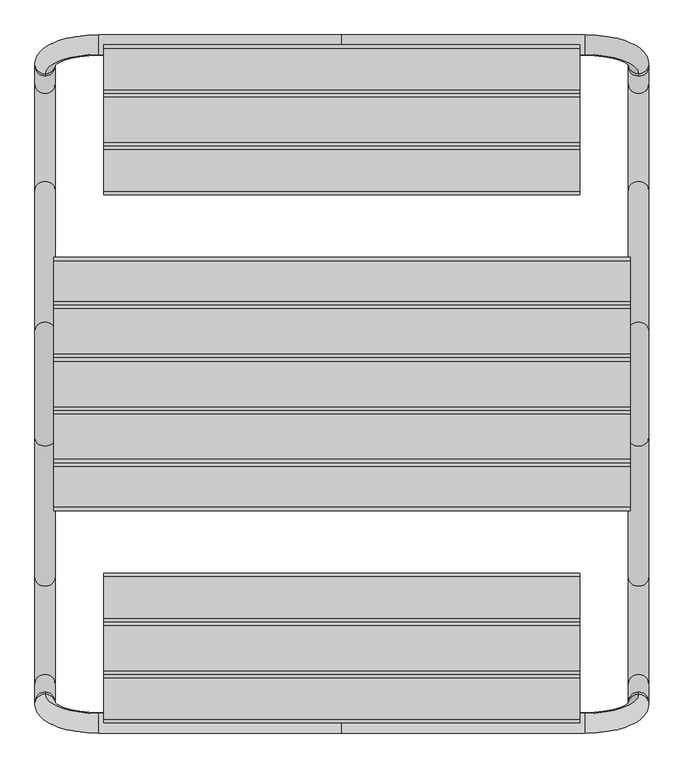
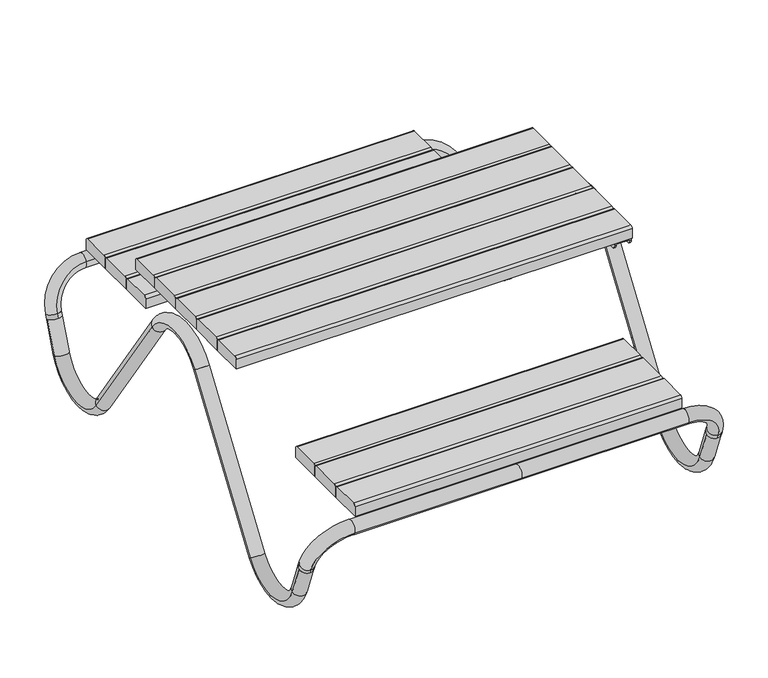
"""IFC4 building model written with IfcOpenShell, lengths in millimetres: furniture geometry."""

from ifc_helpers import new_model, si_unit, point, frame, frame_2d, origin, place, context, project, spatial, polyline, circle_curve, ellipse_curve, trimmed, segment, composite_curve, outline, extrude, source, transform, mapped, element, save
from ifc_brep_helpers import plane_surface, cylinder_surface, revolved_surface, advanced_brep


def furniture_fa88052a(model_context):
    return source(origin(), model_context, "Body", "SolidModel", [
        extrude(outline(composite_curve([segment(polyline([(-826.0683438, 448.4092852), (-725.0000598, 448.4092852)]), True, "CONTINUOUS"), segment(trimmed(circle_curve(frame_2d((-725.0000598, 439.4092852)), 9.0), [point((-725.0000598, 448.4092852))], [point((-716.0000598, 439.4092852))], False, "CARTESIAN"), True, "CONTINUOUS"), segment(polyline([(-716.0000598, 439.4092852), (-716.0000598, 403.4092852), (-835.0683438, 403.4092852), (-835.0683438, 439.4092852)]), True, "CONTINUOUS"), segment(trimmed(circle_curve(frame_2d((-826.0683438, 439.4092852)), 9.0), [point((-835.0683438, 439.4092852))], [point((-826.0683438, 448.4092852))], False, "CARTESIAN"), True, "CONTINUOUS")], self_intersect=False)), frame((-585.9999741, 0.0, 0.0), z_axis=(1.0, 0.0, 0.0), x_axis=(0.0, 1.0, 0.0)), (0.0, 0.0, 1.0), 1172.0),
        extrude(outline(composite_curve([segment(polyline([(-716.0000598, 403.4092852), (-716.0000598, 439.4092852)]), True, "CONTINUOUS"), segment(trimmed(circle_curve(frame_2d((-707.0000598, 439.4092852)), 9.0), [point((-716.0000598, 439.4092852))], [point((-707.0000598, 448.4092852))], False, "CARTESIAN"), True, "CONTINUOUS"), segment(polyline([(-707.0000598, 448.4092852), (-595.0000598, 448.4092852)]), True, "CONTINUOUS"), segment(trimmed(circle_curve(frame_2d((-595.0000598, 439.4092852)), 9.0), [point((-595.0000598, 448.4092852))], [point((-586.0000598, 439.4092852))], False, "CARTESIAN"), True, "CONTINUOUS"), segment(polyline([(-586.0000598, 439.4092852), (-586.0000598, 403.4092852), (-716.0000598, 403.4092852)]), True, "CONTINUOUS")], self_intersect=False)), frame((-585.9999741, 0.0, 0.0), z_axis=(1.0, 0.0, 0.0), x_axis=(0.0, 1.0, 0.0)), (0.0, 0.0, 1.0), 1172.0),
        extrude(outline(composite_curve([segment(polyline([(-577.0000598, 448.4092852), (-475.0000598, 448.4092852)]), True, "CONTINUOUS"), segment(trimmed(circle_curve(frame_2d((-475.0000598, 439.4092852)), 9.0), [point((-475.0000598, 448.4092852))], [point((-466.0000598, 439.4092852))], False, "CARTESIAN"), True, "CONTINUOUS"), segment(polyline([(-466.0000598, 439.4092852), (-466.0000598, 403.4092852), (-586.0000598, 403.4092852), (-586.0000598, 439.4092852)]), True, "CONTINUOUS"), segment(trimmed(circle_curve(frame_2d((-577.0000598, 439.4092852)), 9.0), [point((-586.0000598, 439.4092852))], [point((-577.0000598, 448.4092852))], False, "CARTESIAN"), True, "CONTINUOUS")], self_intersect=False)), frame((-585.9999741, 0.0, 0.0), z_axis=(1.0, 0.0, 0.0), x_axis=(0.0, 1.0, 0.0)), (0.0, 0.0, 1.0), 1172.0),
        extrude(outline(composite_curve([segment(polyline([(-195.0, 687.949744), (-195.0, 723.949744)]), True, "CONTINUOUS"), segment(trimmed(circle_curve(frame_2d((-186.0, 723.949744)), 9.0), [point((-195.0, 723.949744))], [point((-186.0, 732.949744))], False, "CARTESIAN"), True, "CONTINUOUS"), segment(polyline([(-186.0, 732.949744), (-74.0, 732.949744)]), True, "CONTINUOUS"), segment(trimmed(circle_curve(frame_2d((-74.0, 723.949744)), 9.0), [point((-74.0, 732.949744))], [point((-65.0, 723.949744))], False, "CARTESIAN"), True, "CONTINUOUS"), segment(polyline([(-65.0, 723.949744), (-65.0, 687.949744), (-195.0, 687.949744)]), True, "CONTINUOUS")], self_intersect=False)), frame((-710.0, 0.0, 0.0), z_axis=(1.0, 0.0, 0.0), x_axis=(0.0, 1.0, 0.0)), (0.0, 0.0, 1.0), 1420.0),
        extrude(outline(composite_curve([segment(polyline([(-312.2373961, 687.949744), (-312.2373961, 723.949744)]), True, "CONTINUOUS"), segment(trimmed(circle_curve(frame_2d((-303.2373961, 723.949744)), 9.0), [point((-312.2373961, 723.949744))], [point((-303.2373961, 732.949744))], False, "CARTESIAN"), True, "CONTINUOUS"), segment(polyline([(-303.2373961, 732.949744), (-204.0, 732.949744)]), True, "CONTINUOUS"), segment(trimmed(circle_curve(frame_2d((-204.0, 723.949744)), 9.0), [point((-204.0, 732.949744))], [point((-195.0, 723.949744))], False, "CARTESIAN"), True, "CONTINUOUS"), segment(polyline([(-195.0, 723.949744), (-195.0, 687.949744), (-312.2373961, 687.949744)]), True, "CONTINUOUS")], self_intersect=False)), frame((-710.0, 0.0, 0.0), z_axis=(1.0, 0.0, 0.0), x_axis=(0.0, 1.0, 0.0)), (0.0, 0.0, 1.0), 1420.0),
        extrude(outline(composite_curve([segment(polyline([(65.0, 687.949744), (-65.0, 687.949744), (-65.0, 723.949744)]), True, "CONTINUOUS"), segment(trimmed(circle_curve(frame_2d((-56.0, 723.949744)), 9.0), [point((-65.0, 723.949744))], [point((-56.0, 732.949744))], False, "CARTESIAN"), True, "CONTINUOUS"), segment(polyline([(-56.0, 732.949744), (56.0, 732.949744)]), True, "CONTINUOUS"), segment(trimmed(circle_curve(frame_2d((56.0, 723.949744)), 9.0), [point((56.0, 732.949744))], [point((65.0, 723.949744))], False, "CARTESIAN"), True, "CONTINUOUS"), segment(polyline([(65.0, 723.949744), (65.0, 687.949744)]), True, "CONTINUOUS")], self_intersect=False)), frame((-710.0, 0.0, 0.0), z_axis=(1.0, 0.0, 0.0), x_axis=(0.0, 1.0, 0.0)), (0.0, 0.0, 1.0), 1420.0),
        extrude(outline(composite_curve([segment(polyline([(195.0, 687.949744), (65.0, 687.949744), (65.0, 723.949744)]), True, "CONTINUOUS"), segment(trimmed(circle_curve(frame_2d((74.0, 723.949744)), 9.0), [point((65.0, 723.949744))], [point((74.0, 732.949744))], False, "CARTESIAN"), True, "CONTINUOUS"), segment(polyline([(74.0, 732.949744), (186.0, 732.949744)]), True, "CONTINUOUS"), segment(trimmed(circle_curve(frame_2d((186.0, 723.949744)), 9.0), [point((186.0, 732.949744))], [point((195.0, 723.949744))], False, "CARTESIAN"), True, "CONTINUOUS"), segment(polyline([(195.0, 723.949744), (195.0, 687.949744)]), True, "CONTINUOUS")], self_intersect=False)), frame((-710.0, 0.0, 0.0), z_axis=(1.0, 0.0, 0.0), x_axis=(0.0, 1.0, 0.0)), (0.0, 0.0, 1.0), 1420.0),
        extrude(outline(composite_curve([segment(polyline([(312.2373961, 687.949744), (195.0, 687.949744), (195.0, 723.949744)]), True, "CONTINUOUS"), segment(trimmed(circle_curve(frame_2d((204.0, 723.949744)), 9.0), [point((195.0, 723.949744))], [point((204.0, 732.949744))], False, "CARTESIAN"), True, "CONTINUOUS"), segment(polyline([(204.0, 732.949744), (303.2373961, 732.949744)]), True, "CONTINUOUS"), segment(trimmed(circle_curve(frame_2d((303.2373961, 723.949744)), 9.0), [point((303.2373961, 732.949744))], [point((312.2373961, 723.949744))], False, "CARTESIAN"), True, "CONTINUOUS"), segment(polyline([(312.2373961, 723.949744), (312.2373961, 687.949744)]), True, "CONTINUOUS")], self_intersect=False)), frame((-710.0, 0.0, 0.0), z_axis=(1.0, 0.0, 0.0), x_axis=(0.0, 1.0, 0.0)), (0.0, 0.0, 1.0), 1420.0),
        extrude(outline(composite_curve([segment(trimmed(circle_curve(frame_2d((826.0683438, 439.4092852)), 9.0), [point((826.0683438, 448.4092852))], [point((835.0683438, 439.4092852))], False, "CARTESIAN"), True, "CONTINUOUS"), segment(polyline([(835.0683438, 439.4092852), (835.0683438, 403.4092852), (716.0000598, 403.4092852), (716.0000598, 439.4092852)]), True, "CONTINUOUS"), segment(trimmed(circle_curve(frame_2d((725.0000598, 439.4092852)), 9.0), [point((716.0000598, 439.4092852))], [point((725.0000598, 448.4092852))], False, "CARTESIAN"), True, "CONTINUOUS"), segment(polyline([(725.0000598, 448.4092852), (826.0683438, 448.4092852)]), True, "CONTINUOUS")], self_intersect=False)), frame((-585.9999741, 0.0, 0.0), z_axis=(1.0, 0.0, 0.0), x_axis=(0.0, 1.0, 0.0)), (0.0, 0.0, 1.0), 1172.0),
        extrude(outline(composite_curve([segment(polyline([(716.0000598, 403.4092852), (586.0000598, 403.4092852), (586.0000598, 439.4092852)]), True, "CONTINUOUS"), segment(trimmed(circle_curve(frame_2d((595.0000598, 439.4092852)), 9.0), [point((586.0000598, 439.4092852))], [point((595.0000598, 448.4092852))], False, "CARTESIAN"), True, "CONTINUOUS"), segment(polyline([(595.0000598, 448.4092852), (707.0000598, 448.4092852)]), True, "CONTINUOUS"), segment(trimmed(circle_curve(frame_2d((707.0000598, 439.4092852)), 9.0), [point((707.0000598, 448.4092852))], [point((716.0000598, 439.4092852))], False, "CARTESIAN"), True, "CONTINUOUS"), segment(polyline([(716.0000598, 439.4092852), (716.0000598, 403.4092852)]), True, "CONTINUOUS")], self_intersect=False)), frame((-585.9999741, 0.0, 0.0), z_axis=(1.0, 0.0, 0.0), x_axis=(0.0, 1.0, 0.0)), (0.0, 0.0, 1.0), 1172.0),
        extrude(outline(composite_curve([segment(trimmed(circle_curve(frame_2d((577.0000598, 439.4092852)), 9.0), [point((577.0000598, 448.4092852))], [point((586.0000598, 439.4092852))], False, "CARTESIAN"), True, "CONTINUOUS"), segment(polyline([(586.0000598, 439.4092852), (586.0000598, 403.4092852), (466.0000598, 403.4092852), (466.0000598, 439.4092852)]), True, "CONTINUOUS"), segment(trimmed(circle_curve(frame_2d((475.0000598, 439.4092852)), 9.0), [point((466.0000598, 439.4092852))], [point((475.0000598, 448.4092852))], False, "CARTESIAN"), True, "CONTINUOUS"), segment(polyline([(475.0000598, 448.4092852), (577.0000598, 448.4092852)]), True, "CONTINUOUS")], self_intersect=False)), frame((-585.9999741, 0.0, 0.0), z_axis=(1.0, 0.0, 0.0), x_axis=(0.0, 1.0, 0.0)), (0.0, 0.0, 1.0), 1172.0),
        advanced_brep(
        [(-706.0067006, 132.1791608, 594.1992186), (-756.0067006, 132.1791608, 594.1992186), (-756.0067006, 477.7748125, 87.5334918), (-706.0067006, 477.7748125, 87.5334918), (-706.0067006, 739.1235055, 117.9986696), (-756.0067006, 739.1235055, 117.9986696), (-756.0067006, 781.6262765, 228.7221737), (-731.0067006, 804.9657872, 219.7629749), (-706.0067006, 781.6262765, 228.7221737), (-731.0067006, 758.2867659, 237.6813724), (731.0067006, 804.9657872, 219.7629749), (731.0067006, 810.9821295, 235.4360826), (731.0067006, 764.3031082, 253.3544801), (731.0067006, 758.2867659, 237.6813724), (756.0067006, 781.6262765, 228.7221737), (706.0067006, 781.6262765, 228.7221737), (599.2066372, 858.215048, 358.482042), (599.2066372, 811.5360267, 376.4004395), (0.0, 858.215048, 358.482042), (0.0, 811.5360267, 376.4004395), (-599.2066372, 858.215048, 358.482042), (-599.2066372, 811.5360267, 376.4004395), (-731.0067006, 810.9821295, 235.4360826), (-731.0067006, 764.3031082, 253.3544801), (-706.0067006, -132.1791608, 594.1992186), (-756.0067006, -132.1791608, 594.1992186), (-756.0067006, -781.6262765, 228.7221737), (-756.0067006, -739.1235055, 117.9986696), (-706.0067006, -739.1235055, 117.9986696), (-706.0067006, -781.6262765, 228.7221737), (-731.0067006, -804.9657872, 219.7629749), (-731.0067006, -758.2867659, 237.6813724), (-756.0067006, -477.7748125, 87.5334918), (-706.0067006, -477.7748125, 87.5334918), (756.0067006, 132.1791608, 594.1992186), (706.0067006, 132.1791608, 594.1992186), (706.0067006, 477.7748125, 87.5334918), (756.0067006, 477.7748125, 87.5334918), (756.0067006, 739.1235055, 117.9986696), (706.0067006, 739.1235055, 117.9986696), (756.0067006, -132.1791608, 594.1992186), (706.0067006, -132.1791608, 594.1992186), (706.0067006, -781.6262765, 228.7221737), (706.0067006, -739.1235055, 117.9986696), (756.0067006, -739.1235055, 117.9986696), (756.0067006, -781.6262765, 228.7221737), (731.0067006, -804.9657872, 219.7629749), (731.0067006, -758.2867659, 237.6813724), (706.0067006, -477.7748125, 87.5334918), (756.0067006, -477.7748125, 87.5334918), (731.0067006, -764.3031082, 253.3544801), (731.0067006, -810.9821295, 235.4360826), (599.2066372, -811.5360267, 376.4004395), (599.2066372, -858.215048, 358.482042), (0.0, -811.5360267, 376.4004395), (0.0, -858.215048, 358.482042), (-599.2066372, -811.5360267, 376.4004395), (-599.2066372, -858.215048, 358.482042), (-731.0067006, -764.3031082, 253.3544801), (-731.0067006, -810.9821295, 235.4360826)],
        [
            (0, 1, circle_curve(frame((-731.0067006, 132.1791608, 594.1992186), z_axis=(0.0, 0.5634945881708696, -0.8261197546979143), x_axis=(1.0, 0.0, 0.0)), 25.0)),
            (1, 2),
            (2, 3, circle_curve(frame((-731.0067006, 477.7748125, 87.5334918), z_axis=(0.0, -0.5634945881708696, 0.8261197546979143), x_axis=(1.0, 0.0, 0.0)), 25.0)),
            (3, 0),
            (1, 0, circle_curve(frame((-731.0067006, 132.1791608, 594.1992186), z_axis=(0.0, 0.5634945881708696, -0.8261197546979143), x_axis=(1.0, 0.0, 0.0)), 25.0)),
            (3, 2, circle_curve(frame((-731.0067006, 477.7748125, 87.5334918), z_axis=(0.0, -0.5634945881708696, 0.8261197546979143), x_axis=(1.0, 0.0, 0.0)), 25.0)),
            (4, 5, circle_curve(frame((-731.0067006, 739.1235055, 117.9986696), z_axis=(0.0, 0.3583679495453024, 0.933580426497201), x_axis=(1.0, 0.0, 0.0)), 25.0)),
            (5, 6),
            (6, 7, circle_curve(frame((-731.0067006, 781.6262765, 228.7221737), z_axis=(0.0, -0.3583679495453024, -0.933580426497201), x_axis=(1.0, 0.0, 0.0)), 25.0)),
            (7, 8, circle_curve(frame((-731.0067006, 781.6262765, 228.7221737), z_axis=(0.0, -0.3583679495453024, -0.933580426497201), x_axis=(1.0, 0.0, 0.0)), 25.0)),
            (8, 4),
            (5, 4, circle_curve(frame((-731.0067006, 739.1235055, 117.9986696), z_axis=(0.0, 0.3583679495453024, 0.933580426497201), x_axis=(1.0, 0.0, 0.0)), 25.0)),
            (8, 9, circle_curve(frame((-731.0067006, 781.6262765, 228.7221737), z_axis=(0.0, -0.3583679495453024, -0.933580426497201), x_axis=(1.0, 0.0, 0.0)), 25.0)),
            (9, 6, circle_curve(frame((-731.0067006, 781.6262765, 228.7221737), z_axis=(0.0, -0.3583679495453024, -0.933580426497201), x_axis=(1.0, 0.0, 0.0)), 25.0)),
            (10, 11),
            (11, 12, circle_curve(frame((731.0067006, 787.6426189, 244.3952813), z_axis=(0.0, -0.35836794954530343, -0.9335804264972005), x_axis=(0.0, -0.9335804264972005, 0.35836794954530343)), 25.0)),
            (12, 13),
            (13, 14, circle_curve(frame((731.0067006, 781.6262765, 228.7221737), z_axis=(0.0, 0.35836794954530343, 0.9335804264972005), x_axis=(0.0, -0.9335804264972005, 0.35836794954530343)), 25.0)),
            (14, 10, circle_curve(frame((731.0067006, 781.6262765, 228.7221737), z_axis=(0.0, 0.35836794954530343, 0.9335804264972005), x_axis=(0.0, -0.9335804264972005, 0.35836794954530343)), 25.0)),
            (10, 15, circle_curve(frame((731.0067006, 781.6262765, 228.7221737), z_axis=(0.0, 0.35836794954530343, 0.9335804264972005), x_axis=(0.0, -0.9335804264972005, 0.35836794954530343)), 25.0)),
            (15, 13, circle_curve(frame((731.0067006, 781.6262765, 228.7221737), z_axis=(0.0, 0.35836794954530343, 0.9335804264972005), x_axis=(0.0, -0.9335804264972005, 0.35836794954530343)), 25.0)),
            (12, 11, circle_curve(frame((731.0067006, 787.6426189, 244.3952813), z_axis=(0.0, -0.35836794954530343, -0.9335804264972005), x_axis=(0.0, -0.9335804264972005, 0.35836794954530343)), 25.0)),
            (11, 16, circle_curve(frame((599.2066372, 810.9821295, 235.4360826), z_axis=(0.0, -0.9335804264972006, 0.35836794954530343), x_axis=(1.0, 0.0, 0.0)), 131.8000635)),
            (16, 17, circle_curve(frame((599.2066372, 834.8755374, 367.4412408), z_axis=(1.0, 0.0, 0.0), x_axis=(0.0, -0.9335804264972006, 0.35836794954530343)), 25.0)),
            (17, 12, circle_curve(frame((599.2066372, 764.3031082, 253.3544801), z_axis=(0.0, 0.9335804264972006, -0.35836794954530343), x_axis=(1.0, 0.0, 0.0)), 131.8000635)),
            (17, 16, circle_curve(frame((599.2066372, 834.8755374, 367.4412408), z_axis=(1.0, 0.0, 0.0), x_axis=(0.0, -0.9335804264972006, 0.35836794954530343)), 25.0)),
            (16, 18),
            (18, 19, circle_curve(frame((0.0, 834.8755374, 367.4412408), z_axis=(1.0, 0.0, 0.0), x_axis=(0.0, -0.9335804264972005, 0.35836794954530343)), 25.0)),
            (19, 17),
            (19, 18, circle_curve(frame((0.0, 834.8755374, 367.4412408), z_axis=(1.0, 0.0, 0.0), x_axis=(0.0, -0.9335804264972005, 0.35836794954530343)), 25.0)),
            (18, 20),
            (20, 21, circle_curve(frame((-599.2066372, 834.8755374, 367.4412408), z_axis=(1.0, 0.0, 0.0), x_axis=(0.0, -0.9335804264972005, 0.35836794954530343)), 25.0)),
            (21, 19),
            (21, 20, circle_curve(frame((-599.2066372, 834.8755374, 367.4412408), z_axis=(1.0, 0.0, 0.0), x_axis=(0.0, -0.9335804264972005, 0.35836794954530343)), 25.0)),
            (20, 22, circle_curve(frame((-599.2066372, 810.9821295, 235.4360826), z_axis=(0.0, -0.9335804264972006, 0.35836794954530343), x_axis=(0.0, 0.35836794954530343, 0.9335804264972006)), 131.8000635)),
            (22, 23, circle_curve(frame((-731.0067006, 787.6426189, 244.3952813), z_axis=(0.0, 0.3583679495453034, 0.9335804264972006), x_axis=(0.0, -0.9335804264972006, 0.3583679495453034)), 25.0)),
            (23, 21, circle_curve(frame((-599.2066372, 764.3031082, 253.3544801), z_axis=(0.0, 0.9335804264972006, -0.35836794954530343), x_axis=(0.0, 0.35836794954530343, 0.9335804264972006)), 131.8000635)),
            (23, 22, circle_curve(frame((-731.0067006, 787.6426189, 244.3952813), z_axis=(0.0, 0.3583679495453034, 0.9335804264972006), x_axis=(0.0, -0.9335804264972006, 0.3583679495453034)), 25.0)),
            (22, 7),
            (9, 23),
            (0, 24, circle_curve(frame((-706.0067006, 0.0, 504.0400845), z_axis=(1.0, 0.0, 0.0), x_axis=(0.0, -0.8261197546979138, 0.5634945881708703)), 160.0)),
            (24, 25, circle_curve(frame((-731.0067006, -132.1791608, 594.1992186), z_axis=(0.0, 0.5634945881708707, 0.8261197546979134), x_axis=(1.0, 0.0, 0.0)), 25.0)),
            (25, 1, circle_curve(frame((-756.0067006, 0.0, 504.0400845), z_axis=(-1.0, 0.0, 0.0), x_axis=(0.0, -0.8261197546979138, 0.5634945881708703)), 160.0)),
            (25, 24, circle_curve(frame((-731.0067006, -132.1791608, 594.1992186), z_axis=(0.0, 0.5634945881708707, 0.8261197546979134), x_axis=(1.0, 0.0, 0.0)), 25.0)),
            (2, 5, circle_curve(frame((-756.0067006, 600.4691899, 171.2230747), z_axis=(1.0, 0.0, 0.0), x_axis=(0.0, -0.8261197546979139, -0.5634945881708702)), 148.518876)),
            (4, 3, circle_curve(frame((-706.0067006, 600.4691899, 171.2230747), z_axis=(-1.0, 0.0, 0.0), x_axis=(0.0, -0.8261197546979139, -0.5634945881708702)), 148.518876)),
            (26, 27),
            (27, 28, circle_curve(frame((-731.0067006, -739.1235055, 117.9986696), z_axis=(0.0, -0.35836794954530143, 0.9335804264972013), x_axis=(1.0, 0.0, 0.0)), 25.0)),
            (28, 29),
            (29, 30, circle_curve(frame((-731.0067006, -781.6262765, 228.7221737), z_axis=(0.0, 0.35836794954530143, -0.9335804264972013), x_axis=(1.0, 0.0, 0.0)), 25.0)),
            (30, 26, circle_curve(frame((-731.0067006, -781.6262765, 228.7221737), z_axis=(0.0, 0.35836794954530143, -0.9335804264972013), x_axis=(1.0, 0.0, 0.0)), 25.0)),
            (26, 31, circle_curve(frame((-731.0067006, -781.6262765, 228.7221737), z_axis=(0.0, 0.35836794954530143, -0.9335804264972013), x_axis=(1.0, 0.0, 0.0)), 25.0)),
            (31, 29, circle_curve(frame((-731.0067006, -781.6262765, 228.7221737), z_axis=(0.0, 0.35836794954530143, -0.9335804264972013), x_axis=(1.0, 0.0, 0.0)), 25.0)),
            (28, 27, circle_curve(frame((-731.0067006, -739.1235055, 117.9986696), z_axis=(0.0, -0.35836794954530143, 0.9335804264972013), x_axis=(1.0, 0.0, 0.0)), 25.0)),
            (27, 32, circle_curve(frame((-756.0067006, -600.4691899, 171.2230747), z_axis=(1.0, 0.0, 0.0), x_axis=(0.0, -0.9335804264972033, -0.35836794954529627)), 148.518876)),
            (32, 33, circle_curve(frame((-731.0067006, -477.7748125, 87.5334918), z_axis=(0.0, -0.5634945881708703, -0.8261197546979138), x_axis=(1.0, 0.0, 0.0)), 25.0)),
            (33, 28, circle_curve(frame((-706.0067006, -600.4691899, 171.2230747), z_axis=(-1.0, 0.0, 0.0), x_axis=(0.0, -0.9335804264972033, -0.35836794954529627)), 148.518876)),
            (33, 32, circle_curve(frame((-731.0067006, -477.7748125, 87.5334918), z_axis=(0.0, -0.5634945881708703, -0.8261197546979138), x_axis=(1.0, 0.0, 0.0)), 25.0)),
            (24, 33),
            (32, 25),
            (34, 35, circle_curve(frame((731.0067006, 132.1791608, 594.1992186), z_axis=(0.0, 0.56349458817087, -0.8261197546979141), x_axis=(-1.0, 0.0, 0.0)), 25.0)),
            (35, 36),
            (36, 37, circle_curve(frame((731.0067006, 477.7748125, 87.5334918), z_axis=(0.0, -0.56349458817087, 0.8261197546979141), x_axis=(-1.0, 0.0, 0.0)), 25.0)),
            (37, 34),
            (35, 34, circle_curve(frame((731.0067006, 132.1791608, 594.1992186), z_axis=(0.0, 0.56349458817087, -0.8261197546979141), x_axis=(-1.0, 0.0, 0.0)), 25.0)),
            (37, 36, circle_curve(frame((731.0067006, 477.7748125, 87.5334918), z_axis=(0.0, -0.56349458817087, 0.8261197546979141), x_axis=(-1.0, 0.0, 0.0)), 25.0)),
            (38, 39, circle_curve(frame((731.0067006, 739.1235055, 117.9986696), z_axis=(0.0, 0.358367949545302, 0.9335804264972012), x_axis=(-1.0, 0.0, 0.0)), 25.0)),
            (39, 15),
            (14, 38),
            (39, 38, circle_curve(frame((731.0067006, 739.1235055, 117.9986696), z_axis=(0.0, 0.358367949545302, 0.9335804264972012), x_axis=(-1.0, 0.0, 0.0)), 25.0)),
            (34, 40, circle_curve(frame((756.0067006, 0.0, 504.0400845), z_axis=(1.0, 0.0, 0.0), x_axis=(0.0, -0.8261197546979148, 0.5634945881708688)), 160.0)),
            (40, 41, circle_curve(frame((731.0067006, -132.1791608, 594.1992186), z_axis=(0.0, 0.5634945881708691, 0.8261197546979145), x_axis=(-1.0, 0.0, 0.0)), 25.0)),
            (41, 35, circle_curve(frame((706.0067006, 0.0, 504.0400845), z_axis=(-1.0, 0.0, 0.0), x_axis=(0.0, -0.8261197546979148, 0.5634945881708688)), 160.0)),
            (41, 40, circle_curve(frame((731.0067006, -132.1791608, 594.1992186), z_axis=(0.0, 0.5634945881708691, 0.8261197546979145), x_axis=(-1.0, 0.0, 0.0)), 25.0)),
            (36, 39, circle_curve(frame((706.0067006, 600.4691899, 171.2230747), z_axis=(1.0, 0.0, 0.0), x_axis=(0.0, -0.8261197546979139, -0.5634945881708702)), 148.518876)),
            (38, 37, circle_curve(frame((756.0067006, 600.4691899, 171.2230747), z_axis=(-1.0, 0.0, 0.0), x_axis=(0.0, -0.8261197546979139, -0.5634945881708702)), 148.518876)),
            (42, 43),
            (43, 44, circle_curve(frame((731.0067006, -739.1235055, 117.9986696), z_axis=(0.0, -0.35836794954530166, 0.9335804264972012), x_axis=(-1.0, 0.0, 0.0)), 25.0)),
            (44, 45),
            (45, 46, circle_curve(frame((731.0067006, -781.6262765, 228.7221737), z_axis=(0.0, 0.35836794954530166, -0.9335804264972012), x_axis=(-1.0, 0.0, 0.0)), 25.0)),
            (46, 42, circle_curve(frame((731.0067006, -781.6262765, 228.7221737), z_axis=(0.0, 0.35836794954530166, -0.9335804264972012), x_axis=(-1.0, 0.0, 0.0)), 25.0)),
            (42, 47, circle_curve(frame((731.0067006, -781.6262765, 228.7221737), z_axis=(0.0, 0.35836794954530166, -0.9335804264972012), x_axis=(-1.0, 0.0, 0.0)), 25.0)),
            (47, 45, circle_curve(frame((731.0067006, -781.6262765, 228.7221737), z_axis=(0.0, 0.35836794954530166, -0.9335804264972012), x_axis=(-1.0, 0.0, 0.0)), 25.0)),
            (44, 43, circle_curve(frame((731.0067006, -739.1235055, 117.9986696), z_axis=(0.0, -0.35836794954530166, 0.9335804264972012), x_axis=(-1.0, 0.0, 0.0)), 25.0)),
            (43, 48, circle_curve(frame((706.0067006, -600.4691899, 171.2230747), z_axis=(1.0, 0.0, 0.0), x_axis=(0.0, -0.9335804264972033, -0.35836794954529627)), 148.518876)),
            (48, 49, circle_curve(frame((731.0067006, -477.7748125, 87.5334918), z_axis=(0.0, -0.5634945881708702, -0.8261197546979138), x_axis=(-1.0, 0.0, 0.0)), 25.0)),
            (49, 44, circle_curve(frame((756.0067006, -600.4691899, 171.2230747), z_axis=(-1.0, 0.0, 0.0), x_axis=(0.0, -0.9335804264972033, -0.35836794954529627)), 148.518876)),
            (49, 48, circle_curve(frame((731.0067006, -477.7748125, 87.5334918), z_axis=(0.0, -0.5634945881708702, -0.8261197546979138), x_axis=(-1.0, 0.0, 0.0)), 25.0)),
            (40, 49),
            (48, 41),
            (47, 50),
            (50, 51, circle_curve(frame((731.0067006, -787.6426189, 244.3952813), z_axis=(0.0, 0.35836794954530343, -0.9335804264972005), x_axis=(0.0, 0.9335804264972005, 0.35836794954530343)), 25.0)),
            (51, 46),
            (51, 50, circle_curve(frame((731.0067006, -787.6426189, 244.3952813), z_axis=(0.0, 0.35836794954530343, -0.9335804264972005), x_axis=(0.0, 0.9335804264972005, 0.35836794954530343)), 25.0)),
            (50, 52, circle_curve(frame((599.2066372, -764.3031082, 253.3544801), z_axis=(0.0, -0.9335804264972006, -0.35836794954530343), x_axis=(1.0, 0.0, 0.0)), 131.8000635)),
            (52, 53, circle_curve(frame((599.2066372, -834.8755374, 367.4412408), z_axis=(1.0, 0.0, 0.0), x_axis=(0.0, 0.9335804264972006, 0.35836794954530343)), 25.0)),
            (53, 51, circle_curve(frame((599.2066372, -810.9821295, 235.4360826), z_axis=(0.0, 0.9335804264972006, 0.35836794954530343), x_axis=(1.0, 0.0, 0.0)), 131.8000635)),
            (53, 52, circle_curve(frame((599.2066372, -834.8755374, 367.4412408), z_axis=(1.0, 0.0, 0.0), x_axis=(0.0, 0.9335804264972006, 0.35836794954530343)), 25.0)),
            (52, 54),
            (54, 55, circle_curve(frame((0.0, -834.8755374, 367.4412408), z_axis=(1.0, 0.0, 0.0), x_axis=(0.0, 0.9335804264972005, 0.35836794954530343)), 25.0)),
            (55, 53),
            (55, 54, circle_curve(frame((0.0, -834.8755374, 367.4412408), z_axis=(1.0, 0.0, 0.0), x_axis=(0.0, 0.9335804264972005, 0.35836794954530343)), 25.0)),
            (54, 56),
            (56, 57, circle_curve(frame((-599.2066372, -834.8755374, 367.4412408), z_axis=(1.0, 0.0, 0.0), x_axis=(0.0, 0.9335804264972005, 0.35836794954530343)), 25.0)),
            (57, 55),
            (57, 56, circle_curve(frame((-599.2066372, -834.8755374, 367.4412408), z_axis=(1.0, 0.0, 0.0), x_axis=(0.0, 0.9335804264972005, 0.35836794954530343)), 25.0)),
            (56, 58, circle_curve(frame((-599.2066372, -764.3031082, 253.3544801), z_axis=(0.0, -0.9335804264972006, -0.35836794954530343), x_axis=(0.0, -0.35836794954530343, 0.9335804264972006)), 131.8000635)),
            (58, 59, circle_curve(frame((-731.0067006, -787.6426189, 244.3952813), z_axis=(0.0, -0.3583679495453034, 0.9335804264972006), x_axis=(0.0, 0.9335804264972006, 0.3583679495453034)), 25.0)),
            (59, 57, circle_curve(frame((-599.2066372, -810.9821295, 235.4360826), z_axis=(0.0, 0.9335804264972006, 0.35836794954530343), x_axis=(0.0, -0.35836794954530343, 0.9335804264972006)), 131.8000635)),
            (59, 58, circle_curve(frame((-731.0067006, -787.6426189, 244.3952813), z_axis=(0.0, -0.3583679495453034, 0.9335804264972006), x_axis=(0.0, 0.9335804264972006, 0.3583679495453034)), 25.0)),
            (58, 31),
            (30, 59),
        ],
        [
            cylinder_surface(frame((-731.0067006, 132.1791608, 594.1992186), z_axis=(0.0, -0.5634945881708696, 0.8261197546979143), x_axis=(1.0, 0.0, 0.0)), 25.0),
            cylinder_surface(frame((-731.0067006, 739.1235055, 117.9986696), z_axis=(0.0, -0.3583679495453024, -0.933580426497201), x_axis=(1.0, 0.0, 0.0)), 25.0),
            cylinder_surface(frame((731.0067006, 781.6262765, 228.7221737), z_axis=(0.0, -0.35836794954530343, -0.9335804264972005), x_axis=(0.0, -0.9335804264972005, 0.35836794954530343)), 25.0),
            revolved_surface(trimmed(ellipse_curve(frame((731.0067006, 787.6426189, 244.3952813), z_axis=(0.0, -0.3583679495453035, -0.9335804264972006), x_axis=(0.0, -0.9335804264972006, 0.3583679495453035)), 25.0, 25.0), [point((731.0067006, 810.9821295, 235.4360826))], [point((731.0067006, 764.3031082, 253.3544801))], True, "CARTESIAN"), (599.2066372, 6.7408797, 544.1553739), (0.0, -0.9335804264972006, 0.35836794954530343)),
            revolved_surface(trimmed(ellipse_curve(frame((731.0067006, 787.6426189, 244.3952813), z_axis=(0.0, -0.3583679495453035, -0.9335804264972006), x_axis=(0.0, -0.9335804264972006, 0.3583679495453035)), 25.0, 25.0), [point((731.0067006, 764.3031082, 253.3544801))], [point((731.0067006, 810.9821295, 235.4360826))], True, "CARTESIAN"), (599.2066372, 6.7408797, 544.1553739), (0.0, -0.9335804264972006, 0.35836794954530343)),
            cylinder_surface(frame((599.2066372, 834.8755374, 367.4412408), z_axis=(1.0, 0.0, 0.0), x_axis=(0.0, -0.9335804264972005, 0.35836794954530343)), 25.0),
            cylinder_surface(frame((0.0, 834.8755374, 367.4412408), z_axis=(1.0, 0.0, 0.0), x_axis=(0.0, -0.9335804264972005, 0.35836794954530343)), 25.0),
            revolved_surface(trimmed(ellipse_curve(frame((-599.2066372, 834.8755374, 367.4412408), z_axis=(1.0000000000000002, 0.0, 0.0), x_axis=(0.0, -0.9335804264972006, 0.3583679495453035)), 25.0, 25.0), [point((-599.2066372, 858.215048, 358.482042))], [point((-599.2066372, 811.5360267, 376.4004395))], True, "CARTESIAN"), (-599.2066372, 6.7408797, 544.1553739), (0.0, -0.9335804264972006, 0.35836794954530343)),
            revolved_surface(trimmed(ellipse_curve(frame((-599.2066372, 834.8755374, 367.4412408), z_axis=(1.0000000000000002, 0.0, 0.0), x_axis=(0.0, -0.9335804264972006, 0.3583679495453035)), 25.0, 25.0), [point((-599.2066372, 811.5360267, 376.4004395))], [point((-599.2066372, 858.215048, 358.482042))], True, "CARTESIAN"), (-599.2066372, 6.7408797, 544.1553739), (0.0, -0.9335804264972006, 0.35836794954530343)),
            cylinder_surface(frame((-731.0067006, 787.6426189, 244.3952813), z_axis=(0.0, 0.35836794954530343, 0.9335804264972005), x_axis=(0.0, -0.9335804264972005, 0.35836794954530343)), 25.0),
            revolved_surface(trimmed(ellipse_curve(frame((-731.0067006, -132.1791608, 594.1992186), z_axis=(0.0, -0.5634945881708707, -0.8261197546979134), x_axis=(1.0, 0.0, 0.0)), 25.0, 25.0), [point((-756.0067006, -132.1791608, 594.1992186))], [point((-706.0067006, -132.1791608, 594.1992186))], True, "CARTESIAN"), (0.0, 0.0, 504.0400845), (-1.0, 0.0, 0.0)),
            revolved_surface(trimmed(ellipse_curve(frame((-731.0067006, -132.1791608, 594.1992186), z_axis=(0.0, -0.5634945881708707, -0.8261197546979134), x_axis=(1.0, 0.0, 0.0)), 25.0, 25.0), [point((-706.0067006, -132.1791608, 594.1992186))], [point((-756.0067006, -132.1791608, 594.1992186))], True, "CARTESIAN"), (0.0, 0.0, 504.0400845), (-1.0, 0.0, 0.0)),
            revolved_surface(trimmed(ellipse_curve(frame((-731.0067006, 477.7748125, 87.5334918), z_axis=(0.0, -0.5634945881708696, 0.8261197546979143), x_axis=(1.0, 0.0, 0.0)), 25.0, 25.0), [point((-756.0067006, 477.7748125, 87.5334918))], [point((-706.0067006, 477.7748125, 87.5334918))], True, "CARTESIAN"), (0.0, 600.4691899, 171.2230747), (1.0, 0.0, 0.0)),
            revolved_surface(trimmed(ellipse_curve(frame((-731.0067006, 477.7748125, 87.5334918), z_axis=(0.0, -0.5634945881708696, 0.8261197546979143), x_axis=(1.0, 0.0, 0.0)), 25.0, 25.0), [point((-706.0067006, 477.7748125, 87.5334918))], [point((-756.0067006, 477.7748125, 87.5334918))], True, "CARTESIAN"), (0.0, 600.4691899, 171.2230747), (1.0, 0.0, 0.0)),
            cylinder_surface(frame((-731.0067006, -781.6262765, 228.7221737), z_axis=(0.0, -0.35836794954530143, 0.9335804264972013), x_axis=(1.0, 0.0, 0.0)), 25.0),
            revolved_surface(trimmed(ellipse_curve(frame((-731.0067006, -739.1235055, 117.9986696), z_axis=(0.0, -0.358367949545296, 0.9335804264972034), x_axis=(1.0, 0.0, 0.0)), 25.0, 25.0), [point((-756.0067006, -739.1235055, 117.9986696))], [point((-706.0067006, -739.1235055, 117.9986696))], True, "CARTESIAN"), (0.0, -600.4691899, 171.2230747), (1.0, 0.0, 0.0)),
            revolved_surface(trimmed(ellipse_curve(frame((-731.0067006, -739.1235055, 117.9986696), z_axis=(0.0, -0.358367949545296, 0.9335804264972034), x_axis=(1.0, 0.0, 0.0)), 25.0, 25.0), [point((-706.0067006, -739.1235055, 117.9986696))], [point((-756.0067006, -739.1235055, 117.9986696))], True, "CARTESIAN"), (0.0, -600.4691899, 171.2230747), (1.0, 0.0, 0.0)),
            cylinder_surface(frame((-731.0067006, -477.7748125, 87.5334918), z_axis=(0.0, -0.5634945881708705, -0.8261197546979135), x_axis=(1.0, 0.0, 0.0)), 25.0),
            cylinder_surface(frame((731.0067006, 132.1791608, 594.1992186), z_axis=(0.0, -0.56349458817087, 0.8261197546979141), x_axis=(-1.0, 0.0, 0.0)), 25.0),
            cylinder_surface(frame((731.0067006, 739.1235055, 117.9986696), z_axis=(0.0, -0.358367949545302, -0.9335804264972012), x_axis=(-1.0, 0.0, 0.0)), 25.0),
            revolved_surface(trimmed(ellipse_curve(frame((731.0067006, -132.1791608, 594.1992186), z_axis=(0.0, -0.5634945881708691, -0.8261197546979145), x_axis=(-1.0, 0.0, 0.0)), 25.0, 25.0), [point((706.0067006, -132.1791608, 594.1992186))], [point((756.0067006, -132.1791608, 594.1992186))], True, "CARTESIAN"), (0.0, 0.0, 504.0400845), (-1.0, 0.0, 0.0)),
            revolved_surface(trimmed(ellipse_curve(frame((731.0067006, -132.1791608, 594.1992186), z_axis=(0.0, -0.5634945881708691, -0.8261197546979145), x_axis=(-1.0, 0.0, 0.0)), 25.0, 25.0), [point((756.0067006, -132.1791608, 594.1992186))], [point((706.0067006, -132.1791608, 594.1992186))], True, "CARTESIAN"), (0.0, 0.0, 504.0400845), (-1.0, 0.0, 0.0)),
            revolved_surface(trimmed(ellipse_curve(frame((731.0067006, 477.7748125, 87.5334918), z_axis=(0.0, -0.56349458817087, 0.8261197546979141), x_axis=(-1.0, 0.0, 0.0)), 25.0, 25.0), [point((706.0067006, 477.7748125, 87.5334918))], [point((756.0067006, 477.7748125, 87.5334918))], True, "CARTESIAN"), (0.0, 600.4691899, 171.2230747), (1.0, 0.0, 0.0)),
            revolved_surface(trimmed(ellipse_curve(frame((731.0067006, 477.7748125, 87.5334918), z_axis=(0.0, -0.56349458817087, 0.8261197546979141), x_axis=(-1.0, 0.0, 0.0)), 25.0, 25.0), [point((756.0067006, 477.7748125, 87.5334918))], [point((706.0067006, 477.7748125, 87.5334918))], True, "CARTESIAN"), (0.0, 600.4691899, 171.2230747), (1.0, 0.0, 0.0)),
            cylinder_surface(frame((731.0067006, -781.6262765, 228.7221737), z_axis=(0.0, -0.35836794954530166, 0.9335804264972012), x_axis=(-1.0, 0.0, 0.0)), 25.0),
            revolved_surface(trimmed(ellipse_curve(frame((731.0067006, -739.1235055, 117.9986696), z_axis=(0.0, -0.35836794954529627, 0.9335804264972033), x_axis=(-1.0, 0.0, 0.0)), 25.0, 25.0), [point((706.0067006, -739.1235055, 117.9986696))], [point((756.0067006, -739.1235055, 117.9986696))], True, "CARTESIAN"), (0.0, -600.4691899, 171.2230747), (1.0, 0.0, 0.0)),
            revolved_surface(trimmed(ellipse_curve(frame((731.0067006, -739.1235055, 117.9986696), z_axis=(0.0, -0.35836794954529627, 0.9335804264972033), x_axis=(-1.0, 0.0, 0.0)), 25.0, 25.0), [point((756.0067006, -739.1235055, 117.9986696))], [point((706.0067006, -739.1235055, 117.9986696))], True, "CARTESIAN"), (0.0, -600.4691899, 171.2230747), (1.0, 0.0, 0.0)),
            cylinder_surface(frame((731.0067006, -477.7748125, 87.5334918), z_axis=(0.0, -0.5634945881708704, -0.8261197546979138), x_axis=(-1.0, 0.0, 0.0)), 25.0),
            cylinder_surface(frame((731.0067006, -781.6262765, 228.7221737), z_axis=(0.0, 0.35836794954530343, -0.9335804264972005), x_axis=(0.0, 0.9335804264972005, 0.35836794954530343)), 25.0),
            revolved_surface(trimmed(ellipse_curve(frame((731.0067006, -787.6426189, 244.3952813), z_axis=(0.0, 0.3583679495453035, -0.9335804264972006), x_axis=(0.0, 0.9335804264972006, 0.3583679495453035)), 25.0, 25.0), [point((731.0067006, -764.3031082, 253.3544801))], [point((731.0067006, -810.9821295, 235.4360826))], True, "CARTESIAN"), (599.2066372, -6.7408797, 544.1553739), (0.0, -0.9335804264972006, -0.35836794954530343)),
            revolved_surface(trimmed(ellipse_curve(frame((731.0067006, -787.6426189, 244.3952813), z_axis=(0.0, 0.3583679495453035, -0.9335804264972006), x_axis=(0.0, 0.9335804264972006, 0.3583679495453035)), 25.0, 25.0), [point((731.0067006, -810.9821295, 235.4360826))], [point((731.0067006, -764.3031082, 253.3544801))], True, "CARTESIAN"), (599.2066372, -6.7408797, 544.1553739), (0.0, -0.9335804264972006, -0.35836794954530343)),
            cylinder_surface(frame((599.2066372, -834.8755374, 367.4412408), z_axis=(1.0, 0.0, 0.0), x_axis=(0.0, 0.9335804264972005, 0.35836794954530343)), 25.0),
            cylinder_surface(frame((0.0, -834.8755374, 367.4412408), z_axis=(1.0, 0.0, 0.0), x_axis=(0.0, 0.9335804264972005, 0.35836794954530343)), 25.0),
            revolved_surface(trimmed(ellipse_curve(frame((-599.2066372, -834.8755374, 367.4412408), z_axis=(1.0000000000000002, 0.0, 0.0), x_axis=(0.0, 0.9335804264972006, 0.3583679495453035)), 25.0, 25.0), [point((-599.2066372, -811.5360267, 376.4004395))], [point((-599.2066372, -858.215048, 358.482042))], True, "CARTESIAN"), (-599.2066372, -6.7408797, 544.1553739), (0.0, -0.9335804264972006, -0.35836794954530343)),
            revolved_surface(trimmed(ellipse_curve(frame((-599.2066372, -834.8755374, 367.4412408), z_axis=(1.0000000000000002, 0.0, 0.0), x_axis=(0.0, 0.9335804264972006, 0.3583679495453035)), 25.0, 25.0), [point((-599.2066372, -858.215048, 358.482042))], [point((-599.2066372, -811.5360267, 376.4004395))], True, "CARTESIAN"), (-599.2066372, -6.7408797, 544.1553739), (0.0, -0.9335804264972006, -0.35836794954530343)),
            cylinder_surface(frame((-731.0067006, -787.6426189, 244.3952813), z_axis=(0.0, -0.35836794954530343, 0.9335804264972005), x_axis=(0.0, 0.9335804264972005, 0.35836794954530343)), 25.0),
        ],
        [
            (0, [[1, 2, 3, 4]]),
            (0, [[-2, 5, -4, 6]]),
            (1, [[7, 8, 9, 10, 11]]),
            (1, [[-8, 12, -11, 13, 14]]),
            (2, [[15, 16, 17, 18, 19]]),
            (2, [[-15, 20, 21, -17, 22]]),
            (3, [[-16, 23, 24, 25]]),
            (4, [[-22, -25, 26, -23]]),
            (5, [[-24, 27, 28, 29]]),
            (5, [[-26, -29, 30, -27]]),
            (6, [[-28, 31, 32, 33]]),
            (6, [[-30, -33, 34, -31]]),
            (7, [[-32, 35, 36, 37]]),
            (8, [[-34, -37, 38, -35]]),
            (9, [[-36, 39, -9, -14, 40]]),
            (9, [[-38, -40, -13, -10, -39]]),
            (10, [[-1, 41, 42, 43]]),
            (11, [[-5, -43, 44, -41]]),
            (12, [[-3, 45, -7, 46]]),
            (13, [[-6, -46, -12, -45]]),
            (14, [[47, 48, 49, 50, 51]]),
            (14, [[-47, 52, 53, -49, 54]]),
            (15, [[-48, 55, 56, 57]]),
            (16, [[-54, -57, 58, -55]]),
            (17, [[-42, 59, -56, 60]]),
            (17, [[-44, -60, -58, -59]]),
            (18, [[61, 62, 63, 64]]),
            (18, [[-62, 65, -64, 66]]),
            (19, [[67, 68, -20, -19, 69]]),
            (19, [[-68, 70, -69, -18, -21]]),
            (20, [[-61, 71, 72, 73]]),
            (21, [[-65, -73, 74, -71]]),
            (22, [[-63, 75, -67, 76]]),
            (23, [[-66, -76, -70, -75]]),
            (24, [[77, 78, 79, 80, 81]]),
            (24, [[-77, 82, 83, -79, 84]]),
            (25, [[-78, 85, 86, 87]]),
            (26, [[-84, -87, 88, -85]]),
            (27, [[-72, 89, -86, 90]]),
            (27, [[-74, -90, -88, -89]]),
            (28, [[91, 92, 93, -80, -83]]),
            (28, [[-91, -82, -81, -93, 94]]),
            (29, [[-92, 95, 96, 97]]),
            (30, [[-94, -97, 98, -95]]),
            (31, [[-96, 99, 100, 101]]),
            (31, [[-98, -101, 102, -99]]),
            (32, [[-100, 103, 104, 105]]),
            (32, [[-102, -105, 106, -103]]),
            (33, [[-104, 107, 108, 109]]),
            (34, [[-106, -109, 110, -107]]),
            (35, [[-108, 111, -52, -51, 112]]),
            (35, [[-110, -112, -50, -53, -111]]),
        ],
    ),
        advanced_brep(
        [(648.4999187, -295.237302, 664.949744), (648.4999187, -310.237302, 679.949744), (648.4999187, -310.237302, 680.949744), (648.4999187, 312.2373961, 680.949744), (648.4999187, 312.2373961, 679.949744), (648.4999187, 297.2373961, 664.949744), (648.4999187, 247.2373961, 664.949744), (648.4999187, 247.2373961, 661.949744), (648.4999187, -245.237302, 661.949744), (648.4999187, -245.237302, 664.949744), (653.4999187, -295.237302, 664.949744), (653.4999187, -245.237302, 664.949744), (653.4999187, -245.237302, 661.949744), (653.4999187, 247.2373961, 661.949744), (653.4999187, 247.2373961, 664.949744), (653.4999187, 297.2373961, 664.949744), (653.4999187, 312.2373961, 679.949744), (653.4999187, 312.2373961, 680.949744), (653.4999187, -310.237302, 680.949744), (653.4999187, -310.237302, 679.949744), (655.4999187, 312.2373961, 687.949744), (701.4999187, 312.2373961, 687.949744), (708.4999187, 312.2373961, 680.949744), (708.4999187, 312.2373961, 679.949744), (703.4999187, 312.2373961, 679.949744), (703.4999187, 312.2373961, 680.949744), (701.4901236, 312.2373961, 682.949744), (655.4999187, 312.2373961, 682.949744), (655.4999187, -310.237302, 682.949744), (701.4901236, -310.237302, 682.949744), (703.4998948, -310.237302, 680.949744), (703.4999187, -310.237302, 679.949744), (708.4999187, -310.237302, 679.949744), (708.4999187, -310.237302, 680.949744), (701.4999187, -310.237302, 687.949744), (655.4999187, -310.237302, 687.949744), (703.4999187, 247.2373961, 664.949744), (703.4999187, 247.2373961, 661.949744), (703.4999187, 166.5594719, 655.917012), (703.4999187, 101.8877287, 623.7288063), (703.4999187, -99.8876346, 623.7288063), (703.4999187, -164.5593779, 655.917012), (703.4999187, -245.237302, 661.949744), (703.4999187, -245.237302, 664.949744), (703.4999187, -295.237302, 664.949744), (703.4999187, 297.2373961, 664.949744), (708.4999187, 247.2373961, 664.949744), (708.4999187, 297.2373961, 664.949744), (708.4999187, -295.237302, 664.949744), (708.4999187, -245.237302, 664.949744), (708.4999187, -245.237302, 661.949744), (708.4999187, -164.5593779, 655.917012), (708.4999187, -99.8876346, 623.7288063), (708.4999187, 101.8877287, 623.7288063), (708.4999187, 166.5594719, 655.917012), (708.4999187, 247.2373961, 661.949744)],
        [
            (0, 1, circle_curve(frame((648.4999187, -295.237302, 679.949744), z_axis=(-1.0, 1.4582610674570805e-11, 1.2561258699867995e-11), x_axis=(-1.4582610674561056e-11, -1.0, 0.0)), 15.0)),
            (1, 2),
            (2, 3),
            (3, 4),
            (4, 5, circle_curve(frame((648.4999187, 297.2373961, 679.949744), z_axis=(-1.0, 2.7577016226140998e-11, -2.7071678232499654e-11), x_axis=(2.7071678232474768e-11, 0.0, -1.0)), 15.0)),
            (5, 6),
            (6, 7),
            (7, 8, circle_curve(frame((648.4999187, 1.000047, 3412.4875654), z_axis=(-1.0, 0.0, 0.0), x_axis=(0.0, -0.08916674873975165, -0.9960167121686172)), 2761.5378214)),
            (8, 9),
            (9, 0),
            (10, 11),
            (11, 12),
            (12, 13, circle_curve(frame((653.4999187, 1.000047, 3412.4875654), z_axis=(1.0, 0.0, 0.0), x_axis=(0.0, -0.08916674873975165, -0.9960167121686172)), 2761.5378214)),
            (13, 14),
            (14, 15),
            (15, 16, circle_curve(frame((653.4999187, 297.2373961, 679.949744), z_axis=(1.0, -2.7577016226140998e-11, 2.7071678232499654e-11), x_axis=(2.7071678232474768e-11, 0.0, -1.0)), 15.0)),
            (16, 17),
            (17, 18),
            (18, 19),
            (19, 10, circle_curve(frame((653.4999187, -295.237302, 679.949744), z_axis=(1.0, -1.4582610674570805e-11, -1.2561258699867995e-11), x_axis=(-1.4582610674561056e-11, -1.0, 0.0)), 15.0)),
            (9, 11),
            (10, 0),
            (8, 12),
            (7, 13),
            (6, 14),
            (5, 15),
            (4, 16),
            (3, 20, circle_curve(frame((655.4999187, 312.2373961, 680.949744), z_axis=(0.0, 1.0, 0.0), x_axis=(-1.0, 0.0, 0.0)), 7.0)),
            (20, 21),
            (21, 22, circle_curve(frame((701.4999187, 312.2373961, 680.949744), z_axis=(0.0, 1.0, 0.0), x_axis=(-1.0, 0.0, 0.0)), 7.0)),
            (22, 23),
            (23, 24),
            (24, 25),
            (25, 26, circle_curve(frame((701.4901236, 312.2373961, 680.9399489), z_axis=(0.0, -1.0, 0.0), x_axis=(-1.0, 0.0, 0.0)), 2.0097951)),
            (26, 27),
            (27, 17, circle_curve(frame((655.4999187, 312.2373961, 680.949744), z_axis=(0.0, -1.0, 0.0), x_axis=(-1.0, 0.0, 0.0)), 2.0)),
            (1, 19),
            (18, 28, circle_curve(frame((655.4999187, -310.237302, 680.949744), z_axis=(0.0, 1.0, 0.0), x_axis=(-1.0, 0.0, 0.0)), 2.0)),
            (28, 29),
            (29, 30, circle_curve(frame((701.4901236, -310.237302, 680.9399489), z_axis=(0.0, 1.0, 0.0), x_axis=(-1.0, 0.0, 0.0)), 2.0097951)),
            (30, 31),
            (31, 32),
            (32, 33),
            (33, 34, circle_curve(frame((701.4999187, -310.237302, 680.949744), z_axis=(0.0, -1.0, 0.0), x_axis=(-1.0, 0.0, 0.0)), 7.0)),
            (34, 35),
            (35, 2, circle_curve(frame((655.4999187, -310.237302, 680.949744), z_axis=(0.0, -1.0, 0.0), x_axis=(-1.0, 0.0, 0.0)), 7.0)),
            (33, 22),
            (21, 34),
            (29, 26),
            (25, 30),
            (28, 27),
            (20, 35),
            (36, 37),
            (37, 38, circle_curve(frame((703.4999187, 1.000047, 3412.4875657), z_axis=(-1.0, 0.0, 0.0), x_axis=(0.0, 0.08916674874136395, -0.9960167121684729)), 2761.5378217)),
            (38, 39, circle_curve(frame((703.4999187, 175.4227233, 557.0466548), z_axis=(1.0, 0.0, 0.0), x_axis=(0.0, -0.08928713471241707, 0.996005927479775)), 99.2668362)),
            (39, 40, circle_curve(frame((703.4999187, 1.000047, 512.7257627), z_axis=(1.0, 0.0, 0.0), x_axis=(0.0, 0.6725845443382459, 0.740020290747027)), 150.0)),
            (40, 41, circle_curve(frame((703.4999187, -173.4226292, 557.0466548), z_axis=(1.0, 0.0, 0.0), x_axis=(0.0, 0.740781085054844, 0.6717465176872657)), 99.2668362)),
            (41, 42, circle_curve(frame((703.4999187, 1.000047, 3412.4875654), z_axis=(-1.0, 0.0, 0.0), x_axis=(0.0, -0.059951894780886486, -0.9982012674366737)), 2761.5378214)),
            (42, 43),
            (43, 44),
            (44, 31, circle_curve(frame((703.4999187, -295.237302, 679.949744), z_axis=(-1.0, 8.013216756805516e-12, 8.013216756811447e-12), x_axis=(-8.013216756807542e-12, 0.0, -1.0)), 15.0)),
            (24, 45, circle_curve(frame((703.4999187, 297.2373961, 679.949744), z_axis=(-1.0, 2.6602435809749255e-11, -2.6674626951697388e-11), x_axis=(2.660243580974781e-11, 1.0, 0.0)), 15.0)),
            (45, 36),
            (46, 47),
            (47, 23, circle_curve(frame((708.4999187, 297.2373961, 679.949744), z_axis=(1.0, -2.6602435809749255e-11, 2.6674626951697388e-11), x_axis=(2.660243580974781e-11, 1.0, 0.0)), 15.0)),
            (32, 48, circle_curve(frame((708.4999187, -295.237302, 679.949744), z_axis=(1.0, -8.013216756805516e-12, -8.013216756811447e-12), x_axis=(-8.013216756807542e-12, 0.0, -1.0)), 15.0)),
            (48, 49),
            (49, 50),
            (50, 51, circle_curve(frame((708.4999187, 1.000047, 3412.4875654), z_axis=(1.0, 0.0, 0.0), x_axis=(0.0, -0.059951894780886486, -0.9982012674366737)), 2761.5378214)),
            (51, 52, circle_curve(frame((708.4999187, -173.4226292, 557.0466548), z_axis=(-1.0, 0.0, 0.0), x_axis=(0.0, 0.740781085054844, 0.6717465176872657)), 99.2668362)),
            (52, 53, circle_curve(frame((708.4999187, 1.000047, 512.7257627), z_axis=(-1.0, 0.0, 0.0), x_axis=(0.0, 0.6725845443382459, 0.740020290747027)), 150.0)),
            (53, 54, circle_curve(frame((708.4999187, 175.4227233, 557.0466548), z_axis=(-1.0, 0.0, 0.0), x_axis=(0.0, -0.08928713471241707, 0.996005927479775)), 99.2668362)),
            (54, 55, circle_curve(frame((708.4999187, 1.000047, 3412.4875657), z_axis=(1.0, 0.0, 0.0), x_axis=(0.0, 0.08916674874136395, -0.9960167121684729)), 2761.5378217)),
            (55, 46),
            (45, 47),
            (46, 36),
            (44, 48),
            (43, 49),
            (42, 50),
            (41, 51),
            (40, 52),
            (39, 53),
            (38, 54),
            (37, 55),
        ],
        [
            plane_surface(frame((648.4999187, -310.237302, 679.949744), z_axis=(-1.0, 0.0, 0.0), x_axis=(0.0, 0.0, 1.0))),
            plane_surface(frame((653.4999187, -310.237302, 679.949744), z_axis=(1.0, 0.0, 0.0), x_axis=(0.0, 0.0, -1.0))),
            plane_surface(frame((648.4999187, -245.237302, 664.949744), z_axis=(0.0, 0.0, -1.0), x_axis=(1.0, 0.0, 0.0))),
            plane_surface(frame((648.4999187, -245.237302, 661.949744), z_axis=(0.0, -1.0, -5.910649747416404e-12), x_axis=(1.0, 0.0, 0.0))),
            cylinder_surface(frame((653.4999187, 1.000047, 3412.4875654), z_axis=(-1.0, 0.0, 0.0), x_axis=(0.0, -0.08916674873975165, -0.9960167121686172)), 2761.5378214),
            plane_surface(frame((648.4999187, 247.2373961, 664.949744), z_axis=(0.0, 1.0, 0.0), x_axis=(1.0, 0.0, 0.0))),
            plane_surface(frame((648.4999187, 297.2373961, 664.949744), z_axis=(0.0, 0.0, -1.0), x_axis=(1.0, 0.0, 0.0))),
            cylinder_surface(frame((653.4999187, 297.2373961, 679.949744), z_axis=(-1.0, 2.7577016226140998e-11, -2.7071678232499654e-11), x_axis=(2.7071678232474768e-11, 0.0, -1.0)), 15.0),
            plane_surface(frame((648.4999187, 312.2373961, 680.949744), z_axis=(0.0, 1.0, 0.0), x_axis=(1.0, 0.0, 0.0))),
            plane_surface(frame((648.4999187, -310.237302, 679.949744), z_axis=(0.0, -1.0, -5.414335626038632e-12), x_axis=(1.0, 0.0, 0.0))),
            cylinder_surface(frame((653.4999187, -295.237302, 679.949744), z_axis=(-1.0, 1.4582610674570805e-11, 1.2561258699867995e-11), x_axis=(-1.4582610674561056e-11, -1.0, 0.0)), 15.0),
            cylinder_surface(frame((701.4999187, 312.2373961, 680.949744), z_axis=(0.0, -1.0, 0.0), x_axis=(-1.0, 0.0, 0.0)), 7.0),
            revolved_surface(polyline([(699.4803284999999, 312.2373961, 680.9399489), (699.4803284999999, -310.23730200000006, 680.9399489)]), (701.4901236, 312.2373961, 680.9399489), (0.0, 1.0, 0.0)),
            plane_surface(frame((655.4999187, -310.237302, 682.949744), z_axis=(0.0, 0.0, -1.0), x_axis=(0.0, 1.0, 0.0))),
            plane_surface(frame((701.4999187, -310.237302, 687.949744), z_axis=(0.0, 0.0, 1.0), x_axis=(0.0, 1.0, 0.0))),
            revolved_surface(polyline([(653.4999187, 312.2373961, 680.949744), (653.4999187, -310.23730200000006, 680.949744)]), (655.4999187, 312.2373961, 680.949744), (0.0, 1.0, 0.0)),
            cylinder_surface(frame((655.4999187, 312.2373961, 680.949744), z_axis=(0.0, -1.0, 0.0), x_axis=(-1.0, 0.0, 0.0)), 7.0),
            plane_surface(frame((703.4999187, 247.2373961, 661.949744), z_axis=(-1.0, 0.0, 0.0), x_axis=(0.0, 0.0, -1.0))),
            plane_surface(frame((708.4999187, 247.2373961, 661.949744), z_axis=(1.0, 0.0, 0.0), x_axis=(0.0, 0.0, 1.0))),
            plane_surface(frame((703.4999187, 297.2373961, 664.949744), z_axis=(0.0, 0.0, -1.0), x_axis=(1.0, 0.0, 0.0))),
            cylinder_surface(frame((708.4999187, 297.2373961, 679.949744), z_axis=(-1.0, 2.6602435809749255e-11, -2.6674626951697388e-11), x_axis=(2.660243580974781e-11, 1.0, 0.0)), 15.0),
            cylinder_surface(frame((708.4999187, -295.237302, 679.949744), z_axis=(-1.0, 8.013216756805516e-12, 8.013216756811447e-12), x_axis=(-8.013216756807542e-12, 0.0, -1.0)), 15.0),
            plane_surface(frame((703.4999187, -245.237302, 664.949744), z_axis=(0.0, 0.0, -1.0), x_axis=(1.0, 0.0, 0.0))),
            plane_surface(frame((703.4999187, -245.237302, 661.949744), z_axis=(0.0, -1.0, 0.0), x_axis=(1.0, 0.0, 0.0))),
            cylinder_surface(frame((708.4999187, 1.000047, 3412.4875654), z_axis=(-1.0000000000000002, 0.0, 0.0), x_axis=(0.0, -0.059951894780886486, -0.9982012674366737)), 2761.5378214),
            revolved_surface(polyline([(708.4999187, -99.88763456980253, 623.7288063391823), (703.4999187, -99.88763456980253, 623.7288063391823)]), (708.4999187, -173.4226292, 557.0466548), (1.0, 0.0, 0.0)),
            revolved_surface(polyline([(708.4999187, 101.88772865073688, 623.7288063120541), (703.4999187, 101.88772865073688, 623.7288063120541)]), (708.4999187, 1.000047, 512.7257627), (1.0000000000000002, 0.0, 0.0)),
            revolved_surface(polyline([(708.4999187, 166.55947192373517, 655.917012057364), (703.4999187, 166.55947192373517, 655.917012057364)]), (708.4999187, 175.4227233, 557.0466548), (1.0000000000000002, 0.0, 0.0)),
            cylinder_surface(frame((708.4999187, 1.000047, 3412.4875657), z_axis=(-1.0, 0.0, 0.0), x_axis=(0.0, 0.08916674874136395, -0.9960167121684729)), 2761.5378217),
            plane_surface(frame((703.4999187, 247.2373961, 664.949744), z_axis=(0.0, 1.0, 0.0), x_axis=(1.0, 0.0, 0.0))),
        ],
        [
            (0, [[1, 2, 3, 4, 5, 6, 7, 8, 9, 10]]),
            (1, [[11, 12, 13, 14, 15, 16, 17, 18, 19, 20]]),
            (2, [[-10, 21, -11, 22]]),
            (3, [[-9, 23, -12, -21]]),
            (4, [[-8, 24, -13, -23]]),
            (5, [[-7, 25, -14, -24]]),
            (6, [[-6, 26, -15, -25]]),
            (7, [[-5, 27, -16, -26]]),
            (8, [[-4, 28, 29, 30, 31, 32, 33, 34, 35, 36, -17, -27]]),
            (9, [[-2, 37, -19, 38, 39, 40, 41, 42, 43, 44, 45, 46]]),
            (10, [[-1, -22, -20, -37]]),
            (11, [[-44, 47, -30, 48]]),
            (12, [[-40, 49, -34, 50]]),
            (13, [[-39, 51, -35, -49]]),
            (14, [[-45, -48, -29, 52]]),
            (15, [[-38, -18, -36, -51]]),
            (16, [[-46, -52, -28, -3]]),
            (17, [[53, 54, 55, 56, 57, 58, 59, 60, 61, -41, -50, -33, 62, 63]]),
            (18, [[64, 65, -31, -47, -43, 66, 67, 68, 69, 70, 71, 72, 73, 74]]),
            (19, [[-63, 75, -64, 76]]),
            (20, [[-62, -32, -65, -75]]),
            (21, [[-61, 77, -66, -42]]),
            (22, [[-60, 78, -67, -77]]),
            (23, [[-59, 79, -68, -78]]),
            (24, [[-58, 80, -69, -79]]),
            (25, [[-57, 81, -70, -80]]),
            (26, [[-56, 82, -71, -81]]),
            (27, [[-55, 83, -72, -82]]),
            (28, [[-54, 84, -73, -83]]),
            (29, [[-53, -76, -74, -84]]),
        ],
    ),
    ])


if __name__ == "__main__":
    model = new_model("IFC4")
    model_context = context("Model", 3, world=origin())
    ifc_project = project(units=[si_unit("LENGTHUNIT", "METRE", prefix="MILLI")], contexts=[model_context])
    site = spatial("IfcSite", under=ifc_project)
    building = spatial("IfcBuilding", under=site)
    placement = place(None, origin())
    furniture_shape = furniture_fa88052a(model_context)
    element("IfcFurniture", 1, at=placement, inside=building, context=model_context, shape_type="MappedRepresentation", body=[
        mapped(furniture_shape, transform((0.0, 0.0, 0.0), x_axis=(1.0, 0.0, 0.0), y_axis=(0.0, 1.0, 0.0), z_axis=(0.0, 0.0, 1.0))),
    ])
    save(model, "model.ifc")
